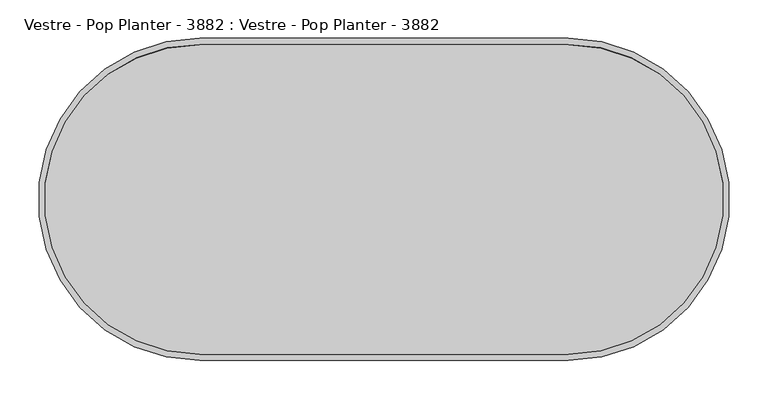
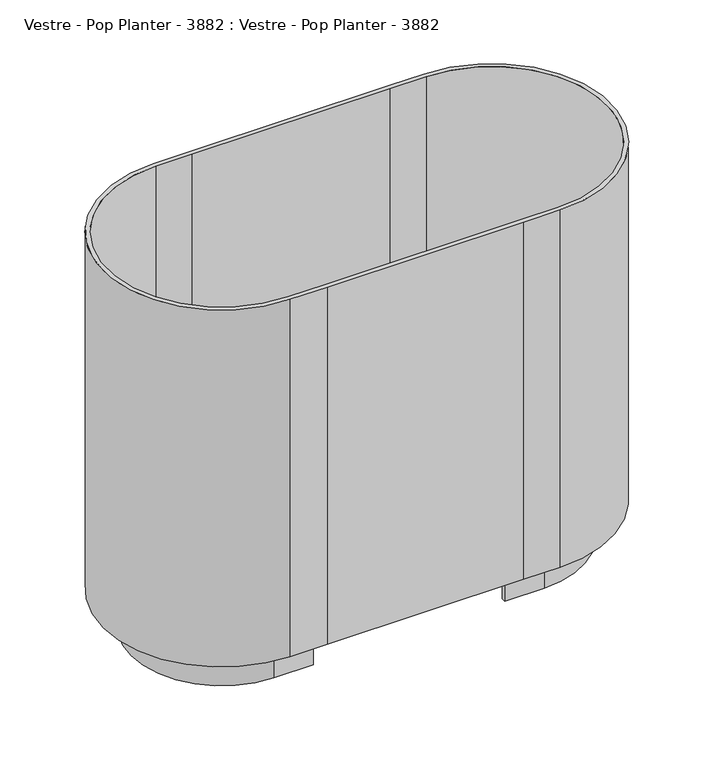
"""IFC4 building model written with IfcOpenShell, lengths in millimetres: furniture geometry, Vestre - Pop Planter - 3882 : Vestre - Pop Planter - 3882."""

from ifc_helpers import new_model, si_unit, frame, origin, place, context, project, spatial, polyline, circle_curve, source, transform, mapped, element, save
from ifc_brep_helpers import plane_surface, cylinder_surface, revolved_surface, advanced_brep


def vestre_pop_planter_3882_vestre_pop_planter_3882_b19d562d(model_context):
    return source(origin(), model_context, "Body", "AdvancedBrep", [
        advanced_brep(
        [(-240.0000029, -202.0, 80.0), (-172.2276791, -202.0, 80.0), (169.6299683, -202.0, 80.0), (239.9999971, -202.0, 80.0), (239.9999971, 202.0, 80.0), (175.3051655, 202.0, 80.0), (-176.5315859, 202.0, 80.0), (-240.0000029, 202.0, 80.0), (-240.0000029, 210.0, 70.0), (-176.0546265, 210.0, 70.0), (179.6815351, 210.0, 70.0), (239.9999971, 210.0, 70.0), (239.9999971, -210.0, 70.0), (174.3286259, -210.0, 70.0), (-173.8103199, -210.0, 70.0), (-240.0000029, -210.0, 70.0), (-170.0000029, 152.0, 70.0), (-170.0000029, 160.0, 70.0), (-240.0000029, 160.0, 70.0), (-240.0000029, -160.0, 70.0), (-170.0000029, -160.0, 70.0), (-170.0000029, -152.0, 70.0), (-240.0000029, -152.0, 70.0), (-240.0000029, 152.0, 70.0), (239.9999971, 152.0, 70.0), (239.9999971, -152.0, 70.0), (169.9999971, -152.0, 70.0), (169.9999971, -160.0, 70.0), (239.9999971, -160.0, 70.0), (239.9999971, 160.0, 70.0), (169.9999971, 160.0, 70.0), (169.9999971, 152.0, 70.0), (-240.0000029, 210.0, 740.0), (-240.0000029, -210.0, 740.0), (-173.8103199, -210.0, 740.0), (174.3286259, -210.0, 740.0), (239.9999971, -210.0, 740.0), (239.9999971, 210.0, 740.0), (179.6815351, 210.0, 740.0), (-176.0546265, 210.0, 740.0), (-240.0000029, -202.0, 740.0), (-240.0000029, 202.0, 740.0), (-176.5315859, 202.0, 740.0), (175.3051655, 202.0, 740.0), (239.9999971, 202.0, 740.0), (239.9999971, -202.0, 740.0), (169.6299683, -202.0, 740.0), (-172.2276791, -202.0, 740.0), (-170.0000029, 152.0, 0.0), (-240.0000029, 152.0, 0.0), (-240.0000029, -152.0, 0.0), (-170.0000029, -152.0, 0.0), (-170.0000029, -160.0, 0.0), (-240.0000029, -160.0, 0.0), (-240.0000029, 160.0, 0.0), (-170.0000029, 160.0, 0.0), (239.9999971, 152.0, 0.0), (169.9999971, 152.0, 0.0), (169.9999971, 160.0, 0.0), (239.9999971, 160.0, 0.0), (239.9999971, -160.0, 0.0), (169.9999971, -160.0, 0.0), (169.9999971, -152.0, 0.0), (239.9999971, -152.0, 0.0)],
        [
            (0, 1),
            (1, 2),
            (2, 3),
            (3, 4, circle_curve(frame((239.9999971, 0.0, 80.0), z_axis=(0.0, 0.0, 1.0), x_axis=(0.0, -1.0, 0.0)), 202.0)),
            (4, 5),
            (5, 6),
            (6, 7),
            (7, 0, circle_curve(frame((-240.0000029, 0.0, 80.0), z_axis=(0.0, 0.0, 1.0), x_axis=(0.0, 1.0, 0.0)), 202.0)),
            (8, 9),
            (9, 10),
            (10, 11),
            (11, 12, circle_curve(frame((239.9999971, 0.0, 70.0), z_axis=(0.0, 0.0, -1.0), x_axis=(0.0, 1.0, 0.0)), 210.0)),
            (12, 13),
            (13, 14),
            (14, 15),
            (15, 8, circle_curve(frame((-240.0000029, 0.0, 70.0), z_axis=(0.0, 0.0, -1.0), x_axis=(0.0, -1.0, 0.0)), 210.0)),
            (16, 17),
            (17, 18),
            (18, 19, circle_curve(frame((-240.0000029, 0.0, 70.0), z_axis=(0.0, 0.0, 1.0), x_axis=(0.0, -1.0, 0.0)), 160.0)),
            (19, 20),
            (20, 21),
            (21, 22),
            (22, 23, circle_curve(frame((-240.0000029, 0.0, 70.0), z_axis=(0.0, 0.0, -1.0), x_axis=(0.0, 1.0, 0.0)), 152.0)),
            (23, 16),
            (24, 25, circle_curve(frame((239.9999971, 0.0, 70.0), z_axis=(0.0, 0.0, -1.0), x_axis=(0.0, -1.0, 0.0)), 152.0)),
            (25, 26),
            (26, 27),
            (27, 28),
            (28, 29, circle_curve(frame((239.9999971, 0.0, 70.0), z_axis=(0.0, 0.0, 1.0), x_axis=(0.0, 1.0, 0.0)), 160.0)),
            (29, 30),
            (30, 31),
            (31, 24),
            (32, 33, circle_curve(frame((-240.0000029, 0.0, 740.0), z_axis=(0.0, 0.0, 1.0), x_axis=(0.0, -1.0, 0.0)), 210.0)),
            (33, 34),
            (34, 35),
            (35, 36),
            (36, 37, circle_curve(frame((239.9999971, 0.0, 740.0), z_axis=(0.0, 0.0, 1.0), x_axis=(0.0, 1.0, 0.0)), 210.0)),
            (37, 38),
            (38, 39),
            (39, 32),
            (40, 41, circle_curve(frame((-240.0000029, 0.0, 740.0), z_axis=(0.0, 0.0, -1.0), x_axis=(0.0, 1.0, 0.0)), 202.0)),
            (41, 42),
            (42, 43),
            (43, 44),
            (44, 45, circle_curve(frame((239.9999971, 0.0, 740.0), z_axis=(0.0, 0.0, -1.0), x_axis=(0.0, -1.0, 0.0)), 202.0)),
            (45, 46),
            (46, 47),
            (47, 40),
            (32, 8),
            (15, 33),
            (14, 34),
            (47, 1),
            (0, 40),
            (7, 41),
            (6, 42),
            (39, 9),
            (5, 43),
            (38, 10),
            (46, 2),
            (13, 35),
            (36, 12),
            (11, 37),
            (4, 44),
            (3, 45),
            (48, 49),
            (49, 50, circle_curve(frame((-240.0000029, 0.0, 0.0), z_axis=(0.0, 0.0, 1.0), x_axis=(0.0, 1.0, 0.0)), 152.0)),
            (50, 51),
            (51, 52),
            (52, 53),
            (53, 54, circle_curve(frame((-240.0000029, 0.0, 0.0), z_axis=(0.0, 0.0, -1.0), x_axis=(0.0, -1.0, 0.0)), 160.0)),
            (54, 55),
            (55, 48),
            (56, 57),
            (57, 58),
            (58, 59),
            (59, 60, circle_curve(frame((239.9999971, 0.0, 0.0), z_axis=(0.0, 0.0, -1.0), x_axis=(0.0, 1.0, 0.0)), 160.0)),
            (60, 61),
            (61, 62),
            (62, 63),
            (63, 56, circle_curve(frame((239.9999971, 0.0, 0.0), z_axis=(0.0, 0.0, 1.0), x_axis=(0.0, -1.0, 0.0)), 152.0)),
            (55, 17),
            (16, 48),
            (54, 18),
            (53, 19),
            (52, 20),
            (51, 21),
            (50, 22),
            (49, 23),
            (63, 25),
            (24, 56),
            (62, 26),
            (61, 27),
            (60, 28),
            (59, 29),
            (58, 30),
            (57, 31),
        ],
        [
            plane_surface(frame((-240.0000029, 202.0, 80.0), z_axis=(0.0, 0.0, 1.0), x_axis=(-1.0, 0.0, 0.0))),
            plane_surface(frame((-240.0000029, 202.0, 70.0), z_axis=(0.0, 0.0, -1.0), x_axis=(1.0, 0.0, 0.0))),
            plane_surface(frame((-240.0000029, -210.0, 740.0), z_axis=(0.0, 0.0, 1.0), x_axis=(1.0, 0.0, 0.0))),
            cylinder_surface(frame((-240.0000029, 0.0, 70.0), z_axis=(0.0, 0.0, 1.0), x_axis=(0.0, -1.0, 0.0)), 210.0),
            plane_surface(frame((-240.0000029, -210.0, 740.0), z_axis=(0.0, -1.0, 0.0), x_axis=(0.0, 0.0, -1.0))),
            plane_surface(frame((-172.2276791, -202.0, 740.0), z_axis=(0.0, 1.0, 0.0), x_axis=(0.0, 0.0, -1.0))),
            revolved_surface(polyline([(-240.0000029, 202.0, 80.0), (-240.0000029, 202.0, 740.0)]), (-240.0000029, 0.0, 0.0), (0.0, 0.0, -1.0)),
            plane_surface(frame((-240.0000029, 202.0, 740.0), z_axis=(0.0, -1.0, 0.0), x_axis=(0.0, 0.0, -1.0))),
            plane_surface(frame((-176.0546265, 210.0, 740.0), z_axis=(0.0, 1.0, 0.0), x_axis=(0.0, 0.0, -1.0))),
            plane_surface(frame((-176.5315859, 202.0, 740.0), z_axis=(0.0, -1.0, 0.0), x_axis=(0.0, 0.0, -1.0))),
            plane_surface(frame((179.6815351, 210.0, 740.0), z_axis=(0.0, 1.0, 0.0), x_axis=(0.0, 0.0, -1.0))),
            plane_surface(frame((169.6299683, -202.0, 740.0), z_axis=(0.0, 1.0, 0.0), x_axis=(0.0, 0.0, -1.0))),
            plane_surface(frame((-173.8103199, -210.0, 740.0), z_axis=(0.0, -1.0, 0.0), x_axis=(0.0, 0.0, -1.0))),
            cylinder_surface(frame((239.9999971, 0.0, 70.0), z_axis=(0.0, 0.0, 1.0), x_axis=(0.0, 1.0, 0.0)), 210.0),
            plane_surface(frame((239.9999971, 210.0, 740.0), z_axis=(0.0, 1.0, 0.0), x_axis=(0.0, 0.0, -1.0))),
            plane_surface(frame((175.3051655, 202.0, 740.0), z_axis=(0.0, -1.0, 0.0), x_axis=(0.0, 0.0, -1.0))),
            revolved_surface(polyline([(239.9999971, -202.0, 80.0), (239.9999971, -202.0, 740.0)]), (239.9999971, 0.0, 0.0), (0.0, 0.0, -1.0)),
            plane_surface(frame((239.9999971, -202.0, 740.0), z_axis=(0.0, 1.0, 0.0), x_axis=(0.0, 0.0, -1.0))),
            plane_surface(frame((174.3286259, -210.0, 740.0), z_axis=(0.0, -1.0, 0.0), x_axis=(0.0, 0.0, -1.0))),
            plane_surface(frame((-170.0000029, 152.0, 0.0), z_axis=(0.0, 0.0, -1.0), x_axis=(0.0, -1.0, 0.0))),
            plane_surface(frame((-170.0000029, 152.0, 70.0), z_axis=(1.0, 0.0, 0.0), x_axis=(0.0, 0.0, -1.0))),
            plane_surface(frame((-170.0000029, 160.0, 70.0), z_axis=(0.0, 1.0, 0.0), x_axis=(0.0, 0.0, -1.0))),
            cylinder_surface(frame((-240.0000029, 0.0, 0.0), z_axis=(0.0, 0.0, 1.0), x_axis=(0.0, -1.0, 0.0)), 160.0),
            plane_surface(frame((-240.0000029, -160.0, 70.0), z_axis=(0.0, -1.0, 0.0), x_axis=(0.0, 0.0, -1.0))),
            plane_surface(frame((-170.0000029, -160.0, 70.0), z_axis=(1.0, 0.0, 0.0), x_axis=(0.0, 0.0, -1.0))),
            plane_surface(frame((-170.0000029, -152.0, 70.0), z_axis=(0.0, 1.0, 0.0), x_axis=(0.0, 0.0, -1.0))),
            revolved_surface(polyline([(-240.0000029, 152.0, 0.0), (-240.0000029, 152.0, 70.0)]), (-240.0000029, 0.0, 0.0), (0.0, 0.0, -1.0)),
            plane_surface(frame((-240.0000029, 152.0, 70.0), z_axis=(0.0, -1.0, 0.0), x_axis=(0.0, 0.0, -1.0))),
            revolved_surface(polyline([(239.9999971, -152.0, 0.0), (239.9999971, -152.0, 70.0)]), (239.9999971, 0.0, 0.0), (0.0, 0.0, -1.0)),
            plane_surface(frame((239.9999971, -152.0, 70.0), z_axis=(0.0, 1.0, 0.0), x_axis=(0.0, 0.0, -1.0))),
            plane_surface(frame((169.9999971, -152.0, 70.0), z_axis=(-1.0, 0.0, 0.0), x_axis=(0.0, 0.0, -1.0))),
            plane_surface(frame((169.9999971, -160.0, 70.0), z_axis=(0.0, -1.0, 0.0), x_axis=(0.0, 0.0, -1.0))),
            cylinder_surface(frame((239.9999971, 0.0, 0.0), z_axis=(0.0, 0.0, 1.0), x_axis=(0.0, 1.0, 0.0)), 160.0),
            plane_surface(frame((239.9999971, 160.0, 70.0), z_axis=(0.0, 1.0, 0.0), x_axis=(0.0, 0.0, -1.0))),
            plane_surface(frame((169.9999971, 160.0, 70.0), z_axis=(-1.0, 0.0, 0.0), x_axis=(0.0, 0.0, -1.0))),
            plane_surface(frame((169.9999971, 152.0, 70.0), z_axis=(0.0, -1.0, 0.0), x_axis=(0.0, 0.0, -1.0))),
        ],
        [
            (0, [[1, 2, 3, 4, 5, 6, 7, 8]]),
            (1, [[9, 10, 11, 12, 13, 14, 15, 16], [17, 18, 19, 20, 21, 22, 23, 24], [25, 26, 27, 28, 29, 30, 31, 32]]),
            (2, [[33, 34, 35, 36, 37, 38, 39, 40], [41, 42, 43, 44, 45, 46, 47, 48]]),
            (3, [[-33, 49, -16, 50]]),
            (4, [[-34, -50, -15, 51]]),
            (5, [[-48, 52, -1, 53]]),
            (6, [[-41, -53, -8, 54]]),
            (7, [[-42, -54, -7, 55]]),
            (8, [[-40, 56, -9, -49]]),
            (9, [[-43, -55, -6, 57]]),
            (10, [[-39, 58, -10, -56]]),
            (11, [[-47, 59, -2, -52]]),
            (12, [[-35, -51, -14, 60]]),
            (13, [[-37, 61, -12, 62]]),
            (14, [[-38, -62, -11, -58]]),
            (15, [[-44, -57, -5, 63]]),
            (16, [[-45, -63, -4, 64]]),
            (17, [[-46, -64, -3, -59]]),
            (18, [[-36, -60, -13, -61]]),
            (19, [[65, 66, 67, 68, 69, 70, 71, 72]]),
            (19, [[73, 74, 75, 76, 77, 78, 79, 80]]),
            (20, [[-72, 81, -17, 82]]),
            (21, [[-71, 83, -18, -81]]),
            (22, [[-70, 84, -19, -83]]),
            (23, [[-69, 85, -20, -84]]),
            (24, [[-68, 86, -21, -85]]),
            (25, [[-67, 87, -22, -86]]),
            (26, [[-66, 88, -23, -87]]),
            (27, [[-65, -82, -24, -88]]),
            (28, [[-80, 89, -25, 90]]),
            (29, [[-79, 91, -26, -89]]),
            (30, [[-78, 92, -27, -91]]),
            (31, [[-77, 93, -28, -92]]),
            (32, [[-76, 94, -29, -93]]),
            (33, [[-75, 95, -30, -94]]),
            (34, [[-74, 96, -31, -95]]),
            (35, [[-73, -90, -32, -96]]),
        ],
    ),
    ])


if __name__ == "__main__":
    model = new_model("IFC4")
    model_context = context("Model", 3, world=origin())
    ifc_project = project(units=[si_unit("LENGTHUNIT", "METRE", prefix="MILLI")], contexts=[model_context])
    site = spatial("IfcSite", under=ifc_project)
    building = spatial("IfcBuilding", under=site)
    placement = place(None, origin())
    vestre_pop_planter_3882_vestre_pop_planter_3882_shape = vestre_pop_planter_3882_vestre_pop_planter_3882_b19d562d(model_context)
    element("IfcFurniture", 1, ObjectType="Vestre - Pop Planter - 3882 : Vestre - Pop Planter - 3882", at=placement, inside=building, context=model_context, shape_type="MappedRepresentation", body=[
        mapped(vestre_pop_planter_3882_vestre_pop_planter_3882_shape, transform((0.0, 0.0, 0.0), x_axis=(1.0, 0.0, 0.0), y_axis=(0.0, 1.0, 0.0), z_axis=(0.0, 0.0, 1.0))),
    ])
    save(model, "model.ifc")
